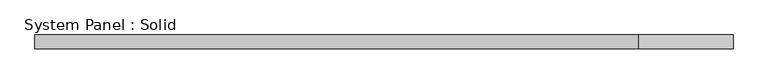
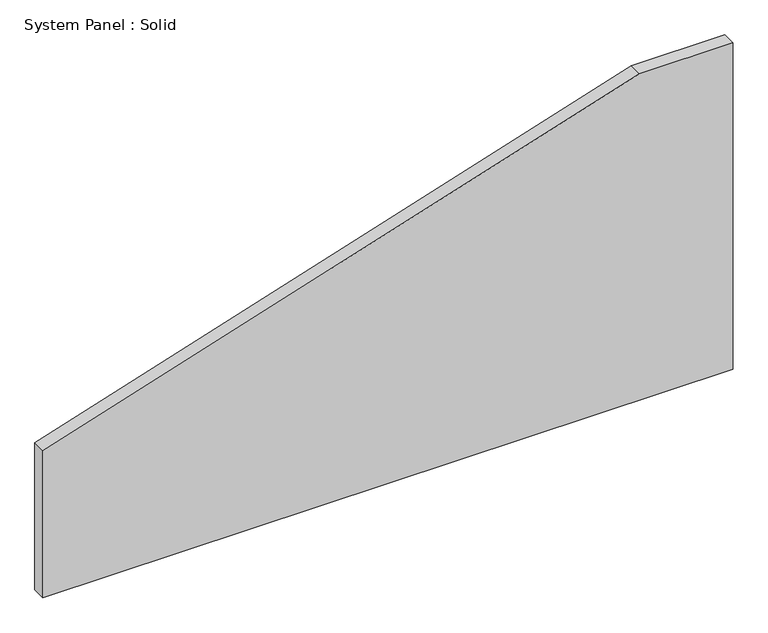
"""IFC4 building model written with IfcOpenShell, lengths in millimetres: plate geometry, System Panel : Solid."""

from ifc_helpers import new_model, si_unit, frame, origin, place, context, project, spatial, polyline, outline, extrude, source, transform, mapped, element, save


def system_panel_solid_19d72d9a(model_context):
    return source(origin(), model_context, "Body", "SweptSolid", [
        extrude(outline(polyline([(0.0, -1500.0), (0.0, 1500.0), (1500.0, 1500.0), (1500.0, 1093.7782499), (675.4886959, -1500.0), (0.0, -1500.0)])), frame((0.0, -10.5, 0.0), z_axis=(0.0, 1.0, 0.0), x_axis=(0.0, 0.0, 1.0)), (0.0, 0.0, 1.0), 60.0),
    ])


if __name__ == "__main__":
    model = new_model("IFC4")
    model_context = context("Model", 3, world=origin())
    ifc_project = project(units=[si_unit("LENGTHUNIT", "METRE", prefix="MILLI")], contexts=[model_context])
    site = spatial("IfcSite", under=ifc_project)
    building = spatial("IfcBuilding", under=site)
    placement = place(None, origin())
    system_panel_solid_shape = system_panel_solid_19d72d9a(model_context)
    element("IfcPlate", 1, ObjectType="System Panel : Solid", at=placement, inside=building, context=model_context, shape_type="MappedRepresentation", body=[
        mapped(system_panel_solid_shape, transform((0.0, 0.0, 0.0), x_axis=(1.0, 0.0, 0.0), y_axis=(0.0, 1.0, 0.0), z_axis=(0.0, 0.0, 1.0))),
    ])
    save(model, "model.ifc")
